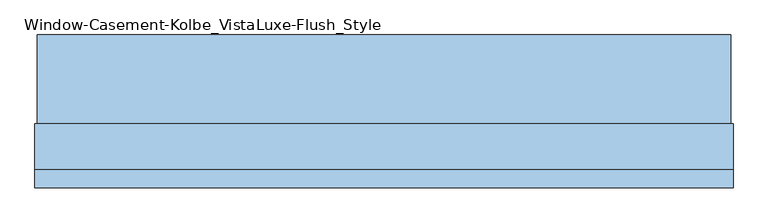
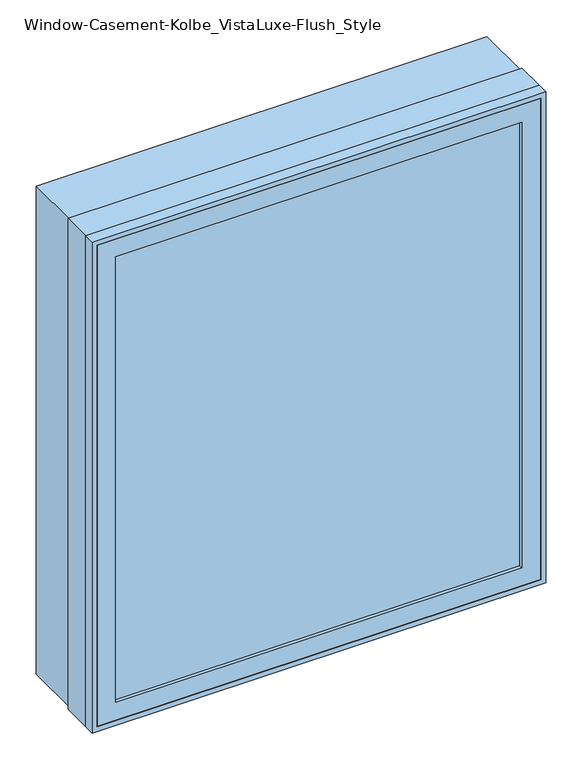
"""IFC4 building model written with IfcOpenShell, lengths in millimetres: window geometry, Window-Casement-Kolbe_VistaLuxe-Flush_Style."""

from ifc_helpers import new_model, si_unit, frame, origin, place, context, project, spatial, polyline, outline, extrude, faceted_brep, source, transform, mapped, element, save


def window_casement_kolbe_vistaluxe_flush_style_4869b9c7(model_context):
    return source(origin(), model_context, "Body", "SolidModel", [
        faceted_brep([(-482.6696599, -121.37898, 970.676875), (-482.6696599, -129.31648, 970.676875), (471.5765901, -129.31648, 970.676875), (471.5765901, -121.37898, 970.676875), (-498.5446599, -99.12858, 954.801875), (-498.5446599, -121.37898, 954.801875), (487.4515901, -121.37898, 954.801875), (487.4515901, -99.12858, 954.801875), (-482.6696599, -80.10398, 970.676875), (-482.6696599, -99.12858, 970.676875), (471.5765901, -99.12858, 970.676875), (471.5765901, -80.10398, 970.676875), (-527.1196599, -129.31648, 926.226875), (-527.1196599, -80.10398, 926.226875), (516.0265901, -80.10398, 926.226875), (516.0265901, -129.31648, 926.226875), (471.5765901, -129.31648, 2077.323125), (471.5765901, -121.37898, 2077.323125), (487.4515901, -121.37898, 2093.198125), (487.4515901, -99.12858, 2093.198125), (471.5765901, -99.12858, 2077.323125), (471.5765901, -80.10398, 2077.323125), (516.0265901, -80.10398, 2121.773125), (516.0265901, -129.31648, 2121.773125), (-482.6696599, -129.31648, 2077.323125), (-482.6696599, -121.37898, 2077.323125), (-498.5446599, -121.37898, 2093.198125), (-498.5446599, -99.12858, 2093.198125), (-482.6696599, -99.12858, 2077.323125), (-482.6696599, -80.10398, 2077.323125), (-527.1196599, -80.10398, 2121.773125), (-527.1196599, -129.31648, 2121.773125)], [[[0, 1, 2, 3]], [[4, 5, 6, 7]], [[8, 9, 10, 11]], [[12, 13, 14, 15]], [[3, 2, 16, 17]], [[7, 6, 18, 19]], [[11, 10, 20, 21]], [[15, 14, 22, 23]], [[17, 16, 24, 25]], [[19, 18, 26, 27]], [[21, 20, 28, 29]], [[23, 22, 30, 31]], [[25, 24, 1, 0]], [[5, 26, 18, 6], [3, 17, 25, 0]], [[27, 26, 5, 4]], [[7, 19, 27, 4], [9, 28, 20, 10]], [[29, 28, 9, 8]], [[13, 30, 22, 14], [11, 21, 29, 8]], [[31, 30, 13, 12]], [[15, 23, 31, 12], [1, 24, 16, 2]]]),
        extrude(outline(polyline([(2130.0186, 524.2720651), (2130.0186, -535.3651349), (917.9814, -535.3651349), (917.9814, 524.2720651), (2130.0186, 524.2720651)]), holes=[polyline([(936.545625, 505.7078401), (936.545625, -516.8009099), (2111.454375, -516.8009099), (2111.454375, 505.7078401), (936.545625, 505.7078401)])]), frame((0.0, -32.5247, 0.0), z_axis=(0.0, 1.0, 0.0), x_axis=(0.0, 0.0, 1.0)), (0.0, 0.0, 1.0), 135.7122),
        extrude(outline(polyline([(2133.6, -538.9465349), (914.4, -538.9465349), (914.4, 527.8534651), (2133.6, 527.8534651), (2133.6, -538.9465349)]), holes=[polyline([(2121.773125, 516.0265901), (926.226875, 516.0265901), (926.226875, -527.1196599), (2121.773125, -527.1196599), (2121.773125, 516.0265901)])]), frame((0.0, -130.1115, 0.0), z_axis=(0.0, 1.0, 0.0), x_axis=(0.0, 0.0, 1.0)), (0.0, 0.0, 1.0), 26.924),
        faceted_brep([(527.8534651, -32.5247, 914.4), (527.8534651, -103.1875, 914.4), (-538.9465349, -103.1875, 914.4), (-538.9465349, -32.5247, 914.4), (505.7078401, -80.10525, 936.545625), (505.7078401, -32.5247, 936.545625), (-516.8009099, -32.5247, 936.545625), (-516.8009099, -80.10525, 936.545625), (516.0265901, -103.1875, 926.226875), (516.0265901, -80.10525, 926.226875), (-527.1196599, -80.10525, 926.226875), (-527.1196599, -103.1875, 926.226875), (-538.9465349, -103.1875, 2133.6), (-538.9465349, -32.5247, 2133.6), (-516.8009099, -32.5247, 2111.454375), (-516.8009099, -80.10525, 2111.454375), (-527.1196599, -80.10525, 2121.773125), (-527.1196599, -103.1875, 2121.773125), (527.8534651, -103.1875, 2133.6), (527.8534651, -32.5247, 2133.6), (505.7078401, -32.5247, 2111.454375), (505.7078401, -80.10525, 2111.454375), (516.0265901, -80.10525, 2121.773125), (516.0265901, -103.1875, 2121.773125)], [[[0, 1, 2, 3]], [[4, 5, 6, 7]], [[8, 9, 10, 11]], [[3, 2, 12, 13]], [[7, 6, 14, 15]], [[11, 10, 16, 17]], [[13, 12, 18, 19]], [[15, 14, 20, 21]], [[17, 16, 22, 23]], [[19, 18, 1, 0]], [[3, 13, 19, 0], [5, 20, 14, 6]], [[21, 20, 5, 4]], [[9, 22, 16, 10], [7, 15, 21, 4]], [[23, 22, 9, 8]], [[1, 18, 12, 2], [11, 17, 23, 8]]]),
        extrude(outline(polyline([(484.2765901, -102.30358), (-495.3696599, -102.30358), (-495.3696599, -99.12858), (484.2765901, -99.12858), (484.2765901, -102.30358)])), frame((0.0, 0.0, 957.976875), z_axis=(0.0, 0.0, 1.0), x_axis=(1.0, 0.0, 0.0)), (0.0, 0.0, 1.0), 1132.04625),
        extrude(outline(polyline([(484.2765901, -118.20398), (484.2765901, -121.37898), (-495.3696599, -121.37898), (-495.3696599, -118.20398), (484.2765901, -118.20398)])), frame((0.0, 0.0, 957.976875), z_axis=(0.0, 0.0, 1.0), x_axis=(1.0, 0.0, 0.0)), (0.0, 0.0, 1.0), 1132.04625),
        extrude(outline(polyline([(936.545625, 505.7078401), (2111.454375, 505.7078401), (2111.454375, -516.8009099), (936.545625, -516.8009099), (936.545625, 505.7078401)]), holes=[polyline([(954.801875, -498.5446599), (2093.198125, -498.5446599), (2093.198125, 487.4515901), (954.801875, 487.4515901), (954.801875, -498.5446599)])]), frame((0.0, -80.10525, 0.0), z_axis=(0.0, 1.0, 0.0), x_axis=(0.0, 0.0, 1.0)), (0.0, 0.0, 1.0), 50.8),
    ])


if __name__ == "__main__":
    model = new_model("IFC4")
    model_context = context("Model", 3, world=origin())
    ifc_project = project(units=[si_unit("LENGTHUNIT", "METRE", prefix="MILLI")], contexts=[model_context])
    site = spatial("IfcSite", under=ifc_project)
    building = spatial("IfcBuilding", under=site)
    placement = place(None, origin())
    window_casement_kolbe_vistaluxe_flush_style_shape = window_casement_kolbe_vistaluxe_flush_style_4869b9c7(model_context)
    element("IfcWindow", 1, ObjectType="Window-Casement-Kolbe_VistaLuxe-Flush_Style", at=placement, inside=building, context=model_context, shape_type="MappedRepresentation", body=[
        mapped(window_casement_kolbe_vistaluxe_flush_style_shape, transform((0.0, 0.0, 0.0), x_axis=(1.0, 0.0, 0.0), y_axis=(0.0, 1.0, 0.0), z_axis=(0.0, 0.0, 1.0))),
    ])
    save(model, "model.ifc")
